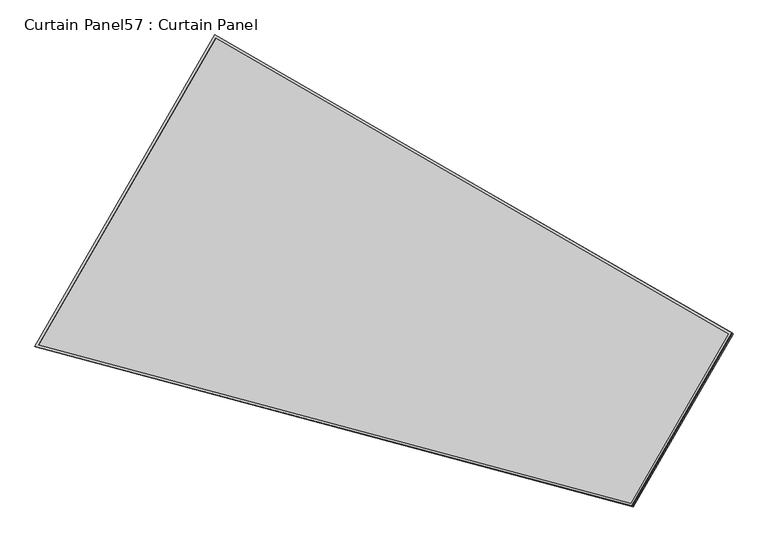
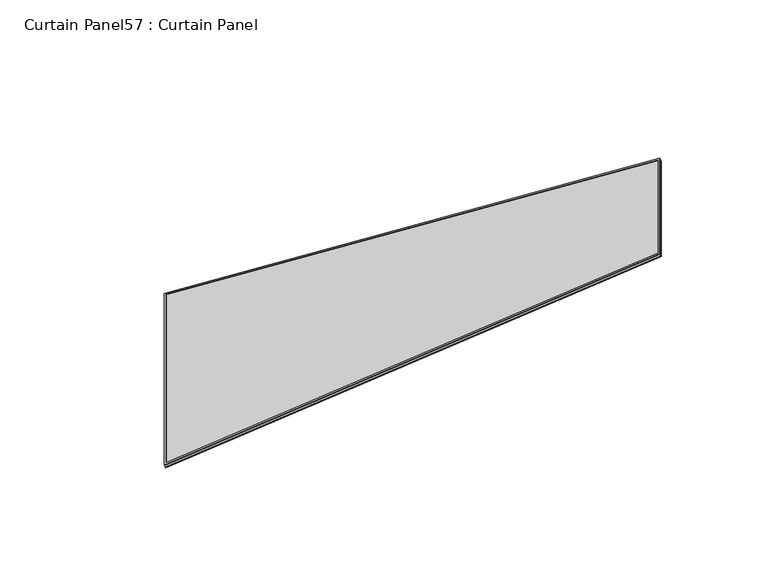
"""IFC4 building model written with IfcOpenShell, lengths in millimetres: plate geometry, Curtain Panel57 : Curtain Panel."""

from ifc_helpers import new_model, si_unit, frame, origin, place, context, project, spatial, polyline, outline, extrude, source, transform, mapped, element, save


def curtain_panel57_curtain_panel_690c856f(model_context):
    return source(origin(), model_context, "Body", "SweptSolid", [
        extrude(outline(polyline([(1625.9225982, -2842.276264), (722.5243658, -2842.276264), (0.0, 0.0), (1625.9225982, 0.0), (1625.9225982, -2842.276264)]), holes=[polyline([(1614.8100982, -11.1125), (14.2907959, -11.1125), (731.165428, -2831.163764), (1614.8100982, -2831.163764), (1614.8100982, -11.1125)])]), frame((2914.3377819, 3862.1927776, -9.1588183), z_axis=(-0.2737903148616809, 0.15807291198690862, 0.9487106081329126), x_axis=(0.5000000000000112, 0.8660254037844323, 0.0)), (0.0, 0.0, 1.0), 4.8485778),
        extrude(outline(polyline([(1625.9225981, -2842.276264), (722.5243658, -2842.276264), (0.0, 0.0), (1625.9225981, -1e-07), (1625.9225981, -2842.276264)]), holes=[polyline([(1614.8100981, -11.1125), (14.2907959, -11.1125), (731.165428, -2831.163764), (1614.8100981, -2831.163764), (1614.8100981, -11.1125)])]), frame((2919.1620318, 3859.4074957, -25.8753228), z_axis=(-0.2737903148616809, 0.15807291198690865, 0.9487106081329126), x_axis=(0.5000000000000114, 0.8660254037844322, 0.0)), (0.0, 0.0, 1.0), 4.7823602),
        extrude(outline(polyline([(25.6727144, 0.0), (1651.5953125, 0.0), (1651.5953126, -2842.276264), (748.1970803, -2842.276264), (25.6727144, 0.0)])), frame((2905.0163107, 3837.9302344, -21.338247), z_axis=(-0.27379031486167676, 0.15807291198690615, 0.9487106081329142), x_axis=(0.5000000000000111, 0.8660254037844323, 0.0)), (0.0, 0.0, 1.0), 12.8378756),
    ])


if __name__ == "__main__":
    model = new_model("IFC4")
    model_context = context("Model", 3, world=origin())
    ifc_project = project(units=[si_unit("LENGTHUNIT", "METRE", prefix="MILLI")], contexts=[model_context])
    site = spatial("IfcSite", under=ifc_project)
    building = spatial("IfcBuilding", under=site)
    placement = place(None, origin())
    curtain_panel57_curtain_panel_shape = curtain_panel57_curtain_panel_690c856f(model_context)
    element("IfcPlate", 1, ObjectType="Curtain Panel57 : Curtain Panel", at=placement, inside=building, context=model_context, shape_type="MappedRepresentation", body=[
        mapped(curtain_panel57_curtain_panel_shape, transform((0.0, 0.0, 0.0), x_axis=(1.0, 0.0, 0.0), y_axis=(0.0, 1.0, 0.0), z_axis=(0.0, 0.0, 1.0))),
    ])
    save(model, "model.ifc")
